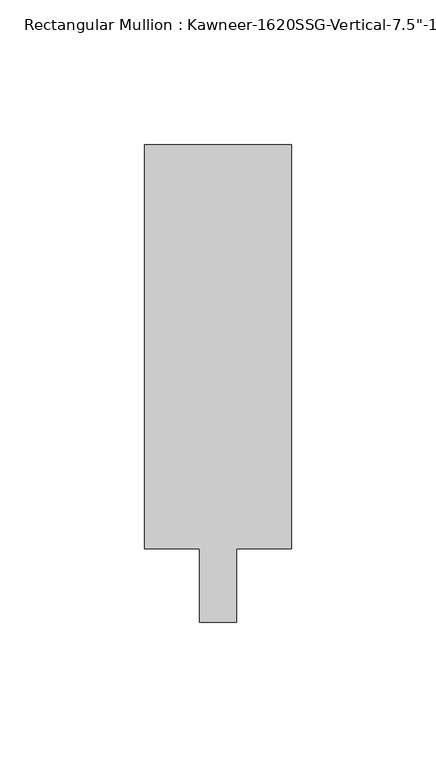
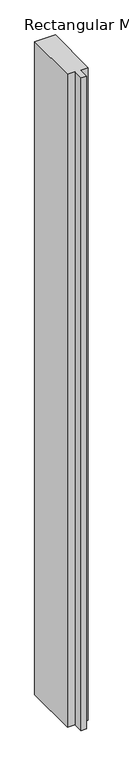
"""IFC4 building model written with IfcOpenShell, lengths in millimetres: member geometry."""

from ifc_helpers import new_model, si_unit, frame, origin, place, context, project, spatial, polyline, outline, extrude, source, transform, mapped, element, save


def member_b3388207(model_context):
    return source(origin(), model_context, "Body", "SweptSolid", [
        extrude(outline(polyline([(25.4, 152.4), (25.4, 12.7), (6.35, 12.7), (6.35, -12.7), (-6.35, -12.7), (-6.35, 12.7), (-25.4, 12.7), (-25.4, 152.4), (25.4, 152.4)])), frame((0.0, 0.0, -1695.45), z_axis=(0.0, 0.0, 1.0), x_axis=(1.0, 0.0, 0.0)), (0.0, 0.0, 1.0), 1695.45),
    ])


if __name__ == "__main__":
    model = new_model("IFC4")
    model_context = context("Model", 3, world=origin())
    ifc_project = project(units=[si_unit("LENGTHUNIT", "METRE", prefix="MILLI")], contexts=[model_context])
    site = spatial("IfcSite", under=ifc_project)
    building = spatial("IfcBuilding", under=site)
    placement = place(None, origin())
    member_shape = member_b3388207(model_context)
    element("IfcMember", 1, ObjectType="Rectangular Mullion : Kawneer-1620SSG-Vertical-7.5\"-1\"Infill-Standard", at=placement, inside=building, context=model_context, shape_type="MappedRepresentation", body=[
        mapped(member_shape, transform((0.0, 0.0, 0.0), x_axis=(1.0, 0.0, 0.0), y_axis=(0.0, 1.0, 0.0), z_axis=(0.0, 0.0, 1.0))),
    ])
    save(model, "model.ifc")
